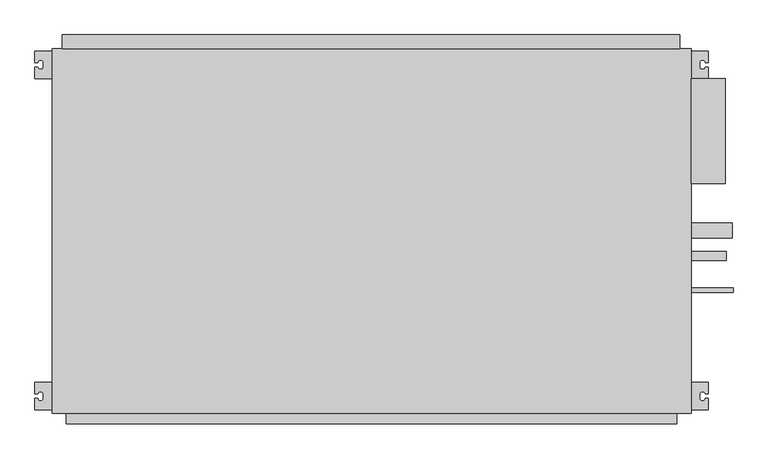
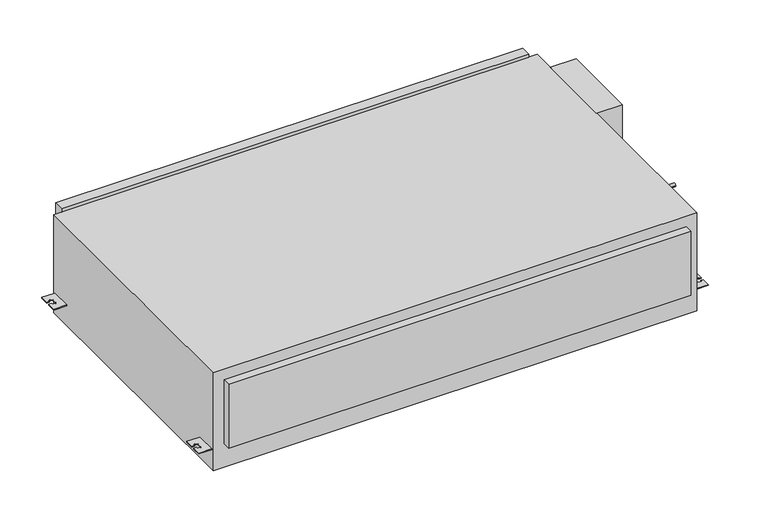
"""IFC4 building model written with IfcOpenShell, lengths in millimetres: proxy geometry."""

from ifc_helpers import new_model, si_unit, point, frame, frame_2d, origin, origin_with_axes, place, context, project, spatial, polyline, circle_curve, trimmed, segment, composite_curve, outline, extrude, source, transform, mapped, element, save


def mechanical_equipment_bc4cffde(model_context):
    return source(origin(), model_context, "Body", "SweptSolid", [
        extrude(outline(polyline([(700.0, -65.5), (775.0, -65.5), (775.0, -296.5), (700.0, -296.5), (700.0, -65.5)])), origin_with_axes(), (0.0, 0.0, 1.0), 300.0),
        extrude(outline(composite_curve([segment(trimmed(circle_curve(frame_2d((-399.0, 22.0)), 16.0), [point((-415.0, 22.0))], [point((-383.0, 22.0))], False, "CARTESIAN"), True, "CONTINUOUS"), segment(trimmed(circle_curve(frame_2d((-399.0, 22.0)), 16.0), [point((-383.0, 22.0))], [point((-415.0, 22.0))], False, "CARTESIAN"), True, "CONTINUOUS")], self_intersect=False)), frame((700.0, 0.0, 0.0), z_axis=(1.0, 0.0, 0.0), x_axis=(0.0, 1.0, 0.0)), (0.0, 0.0, 1.0), 90.0),
        extrude(outline(composite_curve([segment(trimmed(circle_curve(frame_2d((-455.0, 150.0)), 9.525), [point((-464.525, 150.0))], [point((-445.475, 150.0))], False, "CARTESIAN"), True, "CONTINUOUS"), segment(trimmed(circle_curve(frame_2d((-455.0, 150.0)), 9.525), [point((-445.475, 150.0))], [point((-464.525, 150.0))], False, "CARTESIAN"), True, "CONTINUOUS")], self_intersect=False)), frame((700.0, 0.0, 0.0), z_axis=(1.0, 0.0, 0.0), x_axis=(0.0, 1.0, 0.0)), (0.0, 0.0, 1.0), 77.0),
        extrude(outline(composite_curve([segment(trimmed(circle_curve(frame_2d((-530.0, 190.0)), 4.765), [point((-534.765, 190.0))], [point((-525.235, 190.0))], False, "CARTESIAN"), True, "CONTINUOUS"), segment(trimmed(circle_curve(frame_2d((-530.0, 190.0)), 4.765), [point((-525.235, 190.0))], [point((-534.765, 190.0))], False, "CARTESIAN"), True, "CONTINUOUS")], self_intersect=False)), frame((700.0, 0.0, 0.0), z_axis=(1.0, 0.0, 0.0), x_axis=(0.0, 1.0, 0.0)), (0.0, 0.0, 1.0), 92.0),
        extrude(outline(composite_curve([segment(polyline([(-700.0, -5.5), (-700.0, -65.5), (-737.5, -65.5), (-737.5, -40.5), (-731.0, -40.5)]), True, "CONTINUOUS"), segment(trimmed(circle_curve(frame_2d((-726.0, -40.5)), 5.0), [point((-731.0, -40.5))], [point((-726.0, -45.5))], True, "CARTESIAN"), True, "CONTINUOUS"), segment(polyline([(-726.0, -45.5), (-724.0, -45.5)]), True, "CONTINUOUS"), segment(trimmed(circle_curve(frame_2d((-724.0, -40.5)), 5.0), [point((-724.0, -45.5))], [point((-719.0, -40.5))], True, "CARTESIAN"), True, "CONTINUOUS"), segment(polyline([(-719.0, -40.5), (-719.0, -30.5)]), True, "CONTINUOUS"), segment(trimmed(circle_curve(frame_2d((-724.0, -30.5)), 5.0), [point((-719.0, -30.5))], [point((-724.0, -25.5))], True, "CARTESIAN"), True, "CONTINUOUS"), segment(polyline([(-724.0, -25.5), (-726.0, -25.5)]), True, "CONTINUOUS"), segment(trimmed(circle_curve(frame_2d((-726.0, -30.5)), 5.0), [point((-726.0, -25.5))], [point((-731.0, -30.5))], True, "CARTESIAN"), True, "CONTINUOUS"), segment(polyline([(-731.0, -30.5), (-737.5, -30.5), (-737.5, -5.5), (-700.0, -5.5)]), True, "CONTINUOUS")], self_intersect=False)), frame((0.0, 0.0, 60.5), z_axis=(0.0, 0.0, 1.0), x_axis=(1.0, 0.0, 0.0)), (0.0, 0.0, 1.0), 2.5),
        extrude(outline(composite_curve([segment(polyline([(-700.0, -732.5), (-700.0, -792.5), (-737.5, -792.5), (-737.5, -767.5), (-731.0, -767.5)]), True, "CONTINUOUS"), segment(trimmed(circle_curve(frame_2d((-726.0, -767.5)), 5.0), [point((-731.0, -767.5))], [point((-726.0, -772.5))], True, "CARTESIAN"), True, "CONTINUOUS"), segment(polyline([(-726.0, -772.5), (-724.0, -772.5)]), True, "CONTINUOUS"), segment(trimmed(circle_curve(frame_2d((-724.0, -767.5)), 5.0), [point((-724.0, -772.5))], [point((-719.0, -767.5))], True, "CARTESIAN"), True, "CONTINUOUS"), segment(polyline([(-719.0, -767.5), (-719.0, -757.5)]), True, "CONTINUOUS"), segment(trimmed(circle_curve(frame_2d((-724.0, -757.5)), 5.0), [point((-719.0, -757.5))], [point((-724.0, -752.5))], True, "CARTESIAN"), True, "CONTINUOUS"), segment(polyline([(-724.0, -752.5), (-726.0, -752.5)]), True, "CONTINUOUS"), segment(trimmed(circle_curve(frame_2d((-726.0, -757.5)), 5.0), [point((-726.0, -752.5))], [point((-731.0, -757.5))], True, "CARTESIAN"), True, "CONTINUOUS"), segment(polyline([(-731.0, -757.5), (-737.5, -757.5), (-737.5, -732.5), (-700.0, -732.5)]), True, "CONTINUOUS")], self_intersect=False)), frame((0.0, 0.0, 60.5), z_axis=(0.0, 0.0, 1.0), x_axis=(1.0, 0.0, 0.0)), (0.0, 0.0, 1.0), 2.5),
        extrude(outline(composite_curve([segment(polyline([(700.0, -5.5), (737.5, -5.5), (737.5, -30.5), (731.0, -30.5)]), True, "CONTINUOUS"), segment(trimmed(circle_curve(frame_2d((726.0, -30.5)), 5.0), [point((731.0, -30.5))], [point((726.0, -25.5))], True, "CARTESIAN"), True, "CONTINUOUS"), segment(polyline([(726.0, -25.5), (724.0, -25.5)]), True, "CONTINUOUS"), segment(trimmed(circle_curve(frame_2d((724.0, -30.5)), 5.0), [point((724.0, -25.5))], [point((719.0, -30.5))], True, "CARTESIAN"), True, "CONTINUOUS"), segment(polyline([(719.0, -30.5), (719.0, -40.5)]), True, "CONTINUOUS"), segment(trimmed(circle_curve(frame_2d((724.0, -40.5)), 5.0), [point((719.0, -40.5))], [point((724.0, -45.5))], True, "CARTESIAN"), True, "CONTINUOUS"), segment(polyline([(724.0, -45.5), (726.0, -45.5)]), True, "CONTINUOUS"), segment(trimmed(circle_curve(frame_2d((726.0, -40.5)), 5.0), [point((726.0, -45.5))], [point((731.0, -40.5))], True, "CARTESIAN"), True, "CONTINUOUS"), segment(polyline([(731.0, -40.5), (737.5, -40.5), (737.5, -65.5), (700.0, -65.5), (700.0, -5.5)]), True, "CONTINUOUS")], self_intersect=False)), frame((0.0, 0.0, 60.5), z_axis=(0.0, 0.0, 1.0), x_axis=(1.0, 0.0, 0.0)), (0.0, 0.0, 1.0), 2.5),
        extrude(outline(composite_curve([segment(polyline([(700.0, -732.5), (737.5, -732.5), (737.5, -757.5), (731.0, -757.5)]), True, "CONTINUOUS"), segment(trimmed(circle_curve(frame_2d((726.0, -757.5)), 5.0), [point((731.0, -757.5))], [point((726.0, -752.5))], True, "CARTESIAN"), True, "CONTINUOUS"), segment(polyline([(726.0, -752.5), (724.0, -752.5)]), True, "CONTINUOUS"), segment(trimmed(circle_curve(frame_2d((724.0, -757.5)), 5.0), [point((724.0, -752.5))], [point((719.0, -757.5))], True, "CARTESIAN"), True, "CONTINUOUS"), segment(polyline([(719.0, -757.5), (719.0, -767.5)]), True, "CONTINUOUS"), segment(trimmed(circle_curve(frame_2d((724.0, -767.5)), 5.0), [point((719.0, -767.5))], [point((724.0, -772.5))], True, "CARTESIAN"), True, "CONTINUOUS"), segment(polyline([(724.0, -772.5), (726.0, -772.5)]), True, "CONTINUOUS"), segment(trimmed(circle_curve(frame_2d((726.0, -767.5)), 5.0), [point((726.0, -772.5))], [point((731.0, -767.5))], True, "CARTESIAN"), True, "CONTINUOUS"), segment(polyline([(731.0, -767.5), (737.5, -767.5), (737.5, -792.5), (700.0, -792.5), (700.0, -732.5)]), True, "CONTINUOUS")], self_intersect=False)), frame((0.0, 0.0, 60.5), z_axis=(0.0, 0.0, 1.0), x_axis=(1.0, 0.0, 0.0)), (0.0, 0.0, 1.0), 2.5),
        extrude(outline(polyline([(675.2, 30.0), (675.2, 0.0), (-677.8, 0.0), (-677.8, 30.0), (675.2, 30.0)])), frame((0.0, 0.0, 22.8), z_axis=(0.0, 0.0, 1.0), x_axis=(1.0, 0.0, 0.0)), (0.0, 0.0, 1.0), 286.6),
        extrude(outline(polyline([(669.0, -800.0), (669.0, -823.0), (-669.0, -823.0), (-669.0, -800.0), (669.0, -800.0)])), frame((0.0, 0.0, 72.0), z_axis=(0.0, 0.0, 1.0), x_axis=(1.0, 0.0, 0.0)), (0.0, 0.0, 1.0), 197.0),
        extrude(outline(polyline([(700.0, -800.0), (-700.0, -800.0), (-700.0, 0.0), (700.0, 0.0), (700.0, -800.0)])), origin_with_axes(), (0.0, 0.0, 1.0), 300.0),
    ])


if __name__ == "__main__":
    model = new_model("IFC4")
    model_context = context("Model", 3, world=origin())
    ifc_project = project(units=[si_unit("LENGTHUNIT", "METRE", prefix="MILLI")], contexts=[model_context])
    site = spatial("IfcSite", under=ifc_project)
    building = spatial("IfcBuilding", under=site)
    placement = place(None, origin())
    mechanical_equipment_shape = mechanical_equipment_bc4cffde(model_context)
    element("IfcBuildingElementProxy", 1, Name="Mechanical Equipment", at=placement, inside=building, context=model_context, shape_type="MappedRepresentation", body=[
        mapped(mechanical_equipment_shape, transform((0.0, 0.0, 0.0), x_axis=(1.0, 0.0, 0.0), y_axis=(0.0, 1.0, 0.0), z_axis=(0.0, 0.0, 1.0))),
    ])
    save(model, "model.ifc")
